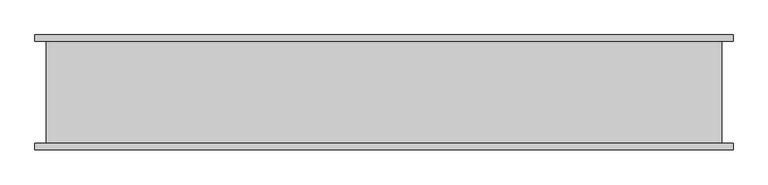
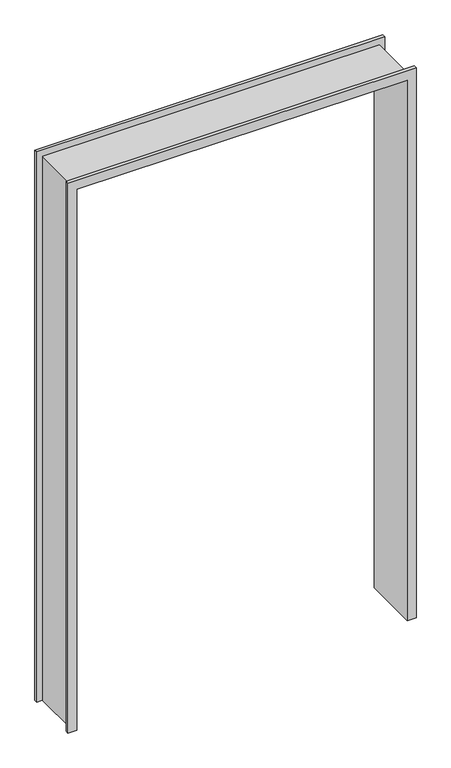
"""IFC4 building model written with IfcOpenShell, lengths in millimetres: proxy geometry."""

from ifc_helpers import new_model, si_unit, origin, place, context, project, spatial, faceted_brep, source, transform, mapped, element, save


def specialty_equipment_c9571692(model_context):
    return source(origin(), model_context, "Body", "Brep", [
        faceted_brep([(703.8442422, -7.7140625, 0.0), (703.8442422, 292.2859375, 0.0), (750.5173422, 292.2859375, 0.0), (750.5173422, 275.7859375, 0.0), (720.8442422, 275.7859375, 0.0), (720.8442422, 8.7859375, 0.0), (750.5173422, 8.7859375, 0.0), (750.5173422, -7.7140625, 0.0), (720.8442422, 8.7859375, 3012.8984), (-1044.0030564, 8.7859375, 3012.8984), (-1044.0030564, 8.7859375, 0.0), (-1073.6761564, 8.7859375, 0.0), (-1073.6761564, 8.7859375, 3047.9944), (750.5173422, 8.7859375, 3047.9944), (-1027.0030564, -7.7140625, 0.0), (-1027.0030564, -7.7140625, 2995.8984), (703.8442422, -7.7140625, 2995.8984), (750.5173422, -7.7140625, 3047.9944), (-1073.6761564, -7.7140625, 3047.9944), (-1073.6761564, -7.7140625, 0.0), (703.8442422, 292.2859375, 2995.8984), (-1027.0030564, 292.2859375, 2995.8984), (-1027.0030564, 292.2859375, 0.0), (-1073.6761564, 292.2859375, 0.0), (-1073.6761564, 292.2859375, 3047.9944), (750.5173422, 292.2859375, 3047.9944), (-1044.0030564, 275.7859375, 0.0), (-1044.0030564, 275.7859375, 3012.8984), (720.8442422, 275.7859375, 3012.8984), (750.5173422, 275.7859375, 3047.9944), (-1073.6761564, 275.7859375, 3047.9944), (-1073.6761564, 275.7859375, 0.0)], [[[0, 1, 2, 3, 4, 5, 6, 7]], [[5, 8, 9, 10, 11, 12, 13, 6]], [[14, 15, 16, 0, 7, 17, 18, 19]], [[1, 0, 16, 20]], [[1, 20, 21, 22, 23, 24, 25, 2]], [[26, 27, 28, 4, 3, 29, 30, 31]], [[5, 4, 28, 8]], [[18, 17, 13, 12]], [[16, 15, 21, 20]], [[30, 29, 25, 24]], [[9, 8, 28, 27]], [[10, 26, 31, 23, 22, 14, 19, 11]], [[15, 14, 22, 21]], [[10, 9, 27, 26]], [[12, 11, 19, 18]], [[24, 23, 31, 30]], [[3, 2, 25, 29]], [[7, 6, 13, 17]]]),
    ])


if __name__ == "__main__":
    model = new_model("IFC4")
    model_context = context("Model", 3, world=origin())
    ifc_project = project(units=[si_unit("LENGTHUNIT", "METRE", prefix="MILLI")], contexts=[model_context])
    site = spatial("IfcSite", under=ifc_project)
    building = spatial("IfcBuilding", under=site)
    placement = place(None, origin())
    specialty_equipment_shape = specialty_equipment_c9571692(model_context)
    element("IfcBuildingElementProxy", 1, Name="Specialty Equipment", at=placement, inside=building, context=model_context, shape_type="MappedRepresentation", body=[
        mapped(specialty_equipment_shape, transform((0.0, 0.0, 0.0), x_axis=(1.0, 0.0, 0.0), y_axis=(0.0, 1.0, 0.0), z_axis=(0.0, 0.0, 1.0))),
    ])
    save(model, "model.ifc")
